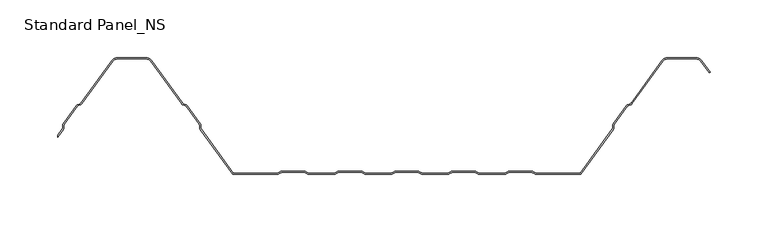
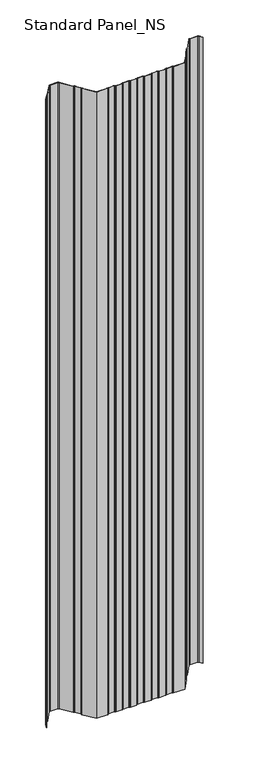
"""IFC4 building model written with IfcOpenShell, lengths in millimetres: proxy geometry, Standard Panel_NS."""

from ifc_helpers import new_model, si_unit, point, frame, frame_2d, origin, place, context, project, spatial, polyline, circle_curve, trimmed, segment, composite_curve, outline, extrude, source, transform, mapped, element, save


def standard_panel_ns_fe12b59f(model_context):
    return source(origin(), model_context, "Body", "SweptSolid", [
        extrude(outline(composite_curve([segment(polyline([(-265.3690592, 38.8012978), (-269.9999998, 32.4137935), (-269.9999998, 34.1174652), (-266.1786697, 39.3882654)]), True, "CONTINUOUS"), segment(trimmed(circle_curve(frame_2d((-267.5943584, 40.4146398)), 1.7486049), [point((-266.1786697, 39.3882654))], [point((-265.8471041, 40.3459275))], True, "CARTESIAN"), True, "CONTINUOUS"), segment(polyline([(-265.8471041, 40.3459275), (-265.7589288, 42.5881001)]), True, "CONTINUOUS"), segment(trimmed(circle_curve(frame_2d((-263.0124468, 42.4800924)), 2.7486049), [point((-265.7589288, 42.5881001))], [point((-265.237746, 44.0934344))], False, "CARTESIAN"), True, "CONTINUOUS"), segment(polyline([(-265.237746, 44.0934344), (-254.1199169, 59.4283711)]), True, "CONTINUOUS"), segment(trimmed(circle_curve(frame_2d((-251.8946177, 57.8150291)), 2.7486049), [point((-254.1199169, 59.4283711))], [point((-252.8512575, 60.3917847))], False, "CARTESIAN"), True, "CONTINUOUS"), segment(polyline([(-252.8512575, 60.3917847), (-250.7476461, 61.1727662)]), True, "CONTINUOUS"), segment(trimmed(circle_curve(frame_2d((-251.3562403, 62.8120441)), 1.7486049), [point((-250.7476461, 61.1727662))], [point((-249.9405515, 61.7856697))], True, "CARTESIAN"), True, "CONTINUOUS"), segment(polyline([(-249.9405515, 61.7856697), (-223.3068531, 98.5218054)]), True, "CONTINUOUS"), segment(trimmed(circle_curve(frame_2d((-218.4491905, 95.0)), 6.0), [point((-223.3068531, 98.5218054))], [point((-218.4491905, 101.0))], False, "CARTESIAN"), True, "CONTINUOUS"), segment(polyline([(-218.4491905, 101.0), (-193.5508098, 101.0)]), True, "CONTINUOUS"), segment(trimmed(circle_curve(frame_2d((-193.5508098, 95.0)), 6.0), [point((-193.5508098, 101.0))], [point((-188.6931472, 98.5218054))], False, "CARTESIAN"), True, "CONTINUOUS"), segment(polyline([(-188.6931472, 98.5218054), (-162.0594488, 61.7856697)]), True, "CONTINUOUS"), segment(trimmed(circle_curve(frame_2d((-160.64376, 62.8120441)), 1.7486049), [point((-162.0594488, 61.7856697))], [point((-161.2523542, 61.1727662))], True, "CARTESIAN"), True, "CONTINUOUS"), segment(polyline([(-161.2523542, 61.1727662), (-159.1487428, 60.3917847)]), True, "CONTINUOUS"), segment(trimmed(circle_curve(frame_2d((-160.1053826, 57.8150291)), 2.7486049), [point((-159.1487428, 60.3917847))], [point((-157.8800834, 59.4283711))], False, "CARTESIAN"), True, "CONTINUOUS"), segment(polyline([(-157.8800834, 59.4283711), (-146.7622543, 44.0934344)]), True, "CONTINUOUS"), segment(trimmed(circle_curve(frame_2d((-148.9875535, 42.4800924)), 2.7486049), [point((-146.7622543, 44.0934344))], [point((-146.2410715, 42.5881001))], False, "CARTESIAN"), True, "CONTINUOUS"), segment(polyline([(-146.2410715, 42.5881001), (-146.1528962, 40.3459275)]), True, "CONTINUOUS"), segment(trimmed(circle_curve(frame_2d((-144.4056419, 40.4146398)), 1.7486049), [point((-146.1528962, 40.3459275))], [point((-145.8213306, 39.3882654))], True, "CARTESIAN"), True, "CONTINUOUS"), segment(polyline([(-145.8213306, 39.3882654), (-117.9898382, 1.0), (-80.1655441, 1.0)]), True, "CONTINUOUS"), segment(trimmed(circle_curve(frame_2d((-80.1655441, 2.7486049)), 1.7486049), [point((-80.1655441, 1.0))], [point((-79.1955926, 1.2936777))], True, "CARTESIAN"), True, "CONTINUOUS"), segment(polyline([(-79.1955926, 1.2936777), (-77.3285502, 2.5383726)]), True, "CONTINUOUS"), segment(trimmed(circle_curve(frame_2d((-75.8038985, 0.2513951)), 2.7486049), [point((-77.3285502, 2.5383726))], [point((-75.8038985, 3.0))], False, "CARTESIAN"), True, "CONTINUOUS"), segment(polyline([(-75.8038985, 3.0), (-56.8627684, 3.0)]), True, "CONTINUOUS"), segment(trimmed(circle_curve(frame_2d((-56.8627684, 0.2513951)), 2.7486049), [point((-56.8627684, 3.0))], [point((-55.3381168, 2.5383726))], False, "CARTESIAN"), True, "CONTINUOUS"), segment(polyline([(-55.3381168, 2.5383726), (-53.4710744, 1.2936777)]), True, "CONTINUOUS"), segment(trimmed(circle_curve(frame_2d((-52.5011229, 2.7486049)), 1.7486049), [point((-53.4710744, 1.2936777))], [point((-52.5011229, 1.0))], True, "CARTESIAN"), True, "CONTINUOUS"), segment(polyline([(-52.5011229, 1.0), (-30.9988774, 1.0)]), True, "CONTINUOUS"), segment(trimmed(circle_curve(frame_2d((-30.9988774, 2.7486049)), 1.7486049), [point((-30.9988774, 1.0))], [point((-30.0289259, 1.2936777))], True, "CARTESIAN"), True, "CONTINUOUS"), segment(polyline([(-30.0289259, 1.2936777), (-28.1618835, 2.5383726)]), True, "CONTINUOUS"), segment(trimmed(circle_curve(frame_2d((-26.6372319, 0.2513951)), 2.7486049), [point((-28.1618835, 2.5383726))], [point((-26.6372319, 3.0))], False, "CARTESIAN"), True, "CONTINUOUS"), segment(polyline([(-26.6372319, 3.0), (-7.6961018, 3.0)]), True, "CONTINUOUS"), segment(trimmed(circle_curve(frame_2d((-7.6961018, 0.2513951)), 2.7486049), [point((-7.6961018, 3.0))], [point((-6.1714501, 2.5383726))], False, "CARTESIAN"), True, "CONTINUOUS"), segment(polyline([(-6.1714501, 2.5383726), (-4.3044077, 1.2936777)]), True, "CONTINUOUS"), segment(trimmed(circle_curve(frame_2d((-3.3344562, 2.7486049)), 1.7486049), [point((-4.3044077, 1.2936777))], [point((-3.3344562, 1.0))], True, "CARTESIAN"), True, "CONTINUOUS"), segment(polyline([(-3.3344562, 1.0), (18.1677892, 1.0)]), True, "CONTINUOUS"), segment(trimmed(circle_curve(frame_2d((18.1677892, 2.7486049)), 1.7486049), [point((18.1677892, 1.0))], [point((19.1377407, 1.2936777))], True, "CARTESIAN"), True, "CONTINUOUS"), segment(polyline([(19.1377407, 1.2936777), (21.0047831, 2.5383726)]), True, "CONTINUOUS"), segment(trimmed(circle_curve(frame_2d((22.5294348, 0.2513951)), 2.7486049), [point((21.0047831, 2.5383726))], [point((22.5294348, 3.0))], False, "CARTESIAN"), True, "CONTINUOUS"), segment(polyline([(22.5294348, 3.0), (41.4705649, 3.0)]), True, "CONTINUOUS"), segment(trimmed(circle_curve(frame_2d((41.4705649, 0.2513951)), 2.7486049), [point((41.4705649, 3.0))], [point((42.9952166, 2.5383726))], False, "CARTESIAN"), True, "CONTINUOUS"), segment(polyline([(42.9952166, 2.5383726), (44.862259, 1.2936777)]), True, "CONTINUOUS"), segment(trimmed(circle_curve(frame_2d((45.8322104, 2.7486049)), 1.7486049), [point((44.862259, 1.2936777))], [point((45.8322104, 1.0))], True, "CARTESIAN"), True, "CONTINUOUS"), segment(polyline([(45.8322104, 1.0), (67.3344559, 1.0)]), True, "CONTINUOUS"), segment(trimmed(circle_curve(frame_2d((67.3344559, 2.7486049)), 1.7486049), [point((67.3344559, 1.0))], [point((68.3044074, 1.2936777))], True, "CARTESIAN"), True, "CONTINUOUS"), segment(polyline([(68.3044074, 1.2936777), (70.1714498, 2.5383726)]), True, "CONTINUOUS"), segment(trimmed(circle_curve(frame_2d((71.6961015, 0.2513951)), 2.7486049), [point((70.1714498, 2.5383726))], [point((71.6961015, 3.0))], False, "CARTESIAN"), True, "CONTINUOUS"), segment(polyline([(71.6961015, 3.0), (90.6372316, 3.0)]), True, "CONTINUOUS"), segment(trimmed(circle_curve(frame_2d((90.6372316, 0.2513951)), 2.7486049), [point((90.6372316, 3.0))], [point((92.1618832, 2.5383726))], False, "CARTESIAN"), True, "CONTINUOUS"), segment(polyline([(92.1618832, 2.5383726), (94.0289256, 1.2936777)]), True, "CONTINUOUS"), segment(trimmed(circle_curve(frame_2d((94.9988771, 2.7486049)), 1.7486049), [point((94.0289256, 1.2936777))], [point((94.9988771, 1.0))], True, "CARTESIAN"), True, "CONTINUOUS"), segment(polyline([(94.9988771, 1.0), (116.5011226, 1.0)]), True, "CONTINUOUS"), segment(trimmed(circle_curve(frame_2d((116.5011226, 2.7486049)), 1.7486049), [point((116.5011226, 1.0))], [point((117.4710741, 1.2936777))], True, "CARTESIAN"), True, "CONTINUOUS"), segment(polyline([(117.4710741, 1.2936777), (119.3381165, 2.5383726)]), True, "CONTINUOUS"), segment(trimmed(circle_curve(frame_2d((120.8627681, 0.2513951)), 2.7486049), [point((119.3381165, 2.5383726))], [point((120.8627681, 3.0))], False, "CARTESIAN"), True, "CONTINUOUS"), segment(polyline([(120.8627681, 3.0), (139.8038982, 3.0)]), True, "CONTINUOUS"), segment(trimmed(circle_curve(frame_2d((139.8038982, 0.2513951)), 2.7486049), [point((139.8038982, 3.0))], [point((141.3285499, 2.5383726))], False, "CARTESIAN"), True, "CONTINUOUS"), segment(polyline([(141.3285499, 2.5383726), (143.1955923, 1.2936777)]), True, "CONTINUOUS"), segment(trimmed(circle_curve(frame_2d((144.1655438, 2.7486049)), 1.7486049), [point((143.1955923, 1.2936777))], [point((144.1655438, 1.0))], True, "CARTESIAN"), True, "CONTINUOUS"), segment(polyline([(144.1655438, 1.0), (181.9898379, 1.0), (209.8213303, 39.3882654)]), True, "CONTINUOUS"), segment(trimmed(circle_curve(frame_2d((208.4056416, 40.4146398)), 1.7486049), [point((209.8213303, 39.3882654))], [point((210.1528959, 40.3459275))], True, "CARTESIAN"), True, "CONTINUOUS"), segment(polyline([(210.1528959, 40.3459275), (210.2410712, 42.5881001)]), True, "CONTINUOUS"), segment(trimmed(circle_curve(frame_2d((212.9875532, 42.4800924)), 2.7486049), [point((210.2410712, 42.5881001))], [point((210.762254, 44.0934344))], False, "CARTESIAN"), True, "CONTINUOUS"), segment(polyline([(210.762254, 44.0934344), (221.8800831, 59.4283711)]), True, "CONTINUOUS"), segment(trimmed(circle_curve(frame_2d((224.1053823, 57.8150291)), 2.7486049), [point((221.8800831, 59.4283711))], [point((223.1487425, 60.3917847))], False, "CARTESIAN"), True, "CONTINUOUS"), segment(polyline([(223.1487425, 60.3917847), (225.2523539, 61.1727662)]), True, "CONTINUOUS"), segment(trimmed(circle_curve(frame_2d((224.6437597, 62.8120441)), 1.7486049), [point((225.2523539, 61.1727662))], [point((226.0594485, 61.7856697))], True, "CARTESIAN"), True, "CONTINUOUS"), segment(polyline([(226.0594485, 61.7856697), (252.6931469, 98.5218054)]), True, "CONTINUOUS"), segment(trimmed(circle_curve(frame_2d((257.5508095, 95.0)), 6.0), [point((252.6931469, 98.5218054))], [point((257.5508095, 101.0))], False, "CARTESIAN"), True, "CONTINUOUS"), segment(polyline([(257.5508095, 101.0), (282.4491902, 101.0)]), True, "CONTINUOUS"), segment(trimmed(circle_curve(frame_2d((282.4491902, 95.0)), 6.0), [point((282.4491902, 101.0))], [point((287.3068528, 98.5218054))], False, "CARTESIAN"), True, "CONTINUOUS"), segment(polyline([(287.3068528, 98.5218054), (294.6141239, 88.4428109), (293.8045134, 87.8558433), (286.4972424, 97.9348379)]), True, "CONTINUOUS"), segment(trimmed(circle_curve(frame_2d((282.4491902, 95.0)), 5.0), [point((286.4972424, 97.9348379))], [point((282.4491902, 100.0))], True, "CARTESIAN"), True, "CONTINUOUS"), segment(polyline([(282.4491902, 100.0), (257.5508095, 100.0)]), True, "CONTINUOUS"), segment(trimmed(circle_curve(frame_2d((257.5508095, 95.0)), 5.0), [point((257.5508095, 100.0))], [point((253.5027573, 97.9348379))], True, "CARTESIAN"), True, "CONTINUOUS"), segment(polyline([(253.5027573, 97.9348379), (226.8690589, 61.1987022)]), True, "CONTINUOUS"), segment(trimmed(circle_curve(frame_2d((224.6437597, 62.8120441)), 2.7486049), [point((226.8690589, 61.1987022))], [point((225.6003995, 60.2352885))], False, "CARTESIAN"), True, "CONTINUOUS"), segment(polyline([(225.6003995, 60.2352885), (223.4967881, 59.4543071)]), True, "CONTINUOUS"), segment(trimmed(circle_curve(frame_2d((224.1053823, 57.8150291)), 1.7486049), [point((223.4967881, 59.4543071))], [point((222.6896935, 58.8414035))], True, "CARTESIAN"), True, "CONTINUOUS"), segment(polyline([(222.6896935, 58.8414035), (211.5718644, 43.5064668)]), True, "CONTINUOUS"), segment(trimmed(circle_curve(frame_2d((212.9875532, 42.4800924)), 1.7486049), [point((211.5718644, 43.5064668))], [point((211.2402989, 42.5488047))], True, "CARTESIAN"), True, "CONTINUOUS"), segment(polyline([(211.2402989, 42.5488047), (211.1521235, 40.3066321)]), True, "CONTINUOUS"), segment(trimmed(circle_curve(frame_2d((208.4056416, 40.4146398)), 2.7486049), [point((211.1521235, 40.3066321))], [point((210.6309408, 38.8012978))], False, "CARTESIAN"), True, "CONTINUOUS"), segment(polyline([(210.6309408, 38.8012978), (182.4999998, 0.0), (144.1655438, 0.0)]), True, "CONTINUOUS"), segment(trimmed(circle_curve(frame_2d((144.1655438, 2.7486049)), 2.7486049), [point((144.1655438, 0.0))], [point((142.6408921, 0.4616274))], False, "CARTESIAN"), True, "CONTINUOUS"), segment(polyline([(142.6408921, 0.4616274), (140.7738497, 1.7063223)]), True, "CONTINUOUS"), segment(trimmed(circle_curve(frame_2d((139.8038982, 0.2513951)), 1.7486049), [point((140.7738497, 1.7063223))], [point((139.8038982, 2.0))], True, "CARTESIAN"), True, "CONTINUOUS"), segment(polyline([(139.8038982, 2.0), (120.8627681, 2.0)]), True, "CONTINUOUS"), segment(trimmed(circle_curve(frame_2d((120.8627681, 0.2513951)), 1.7486049), [point((120.8627681, 2.0))], [point((119.8928167, 1.7063223))], True, "CARTESIAN"), True, "CONTINUOUS"), segment(polyline([(119.8928167, 1.7063223), (118.0257743, 0.4616274)]), True, "CONTINUOUS"), segment(trimmed(circle_curve(frame_2d((116.5011226, 2.7486049)), 2.7486049), [point((118.0257743, 0.4616274))], [point((116.5011226, 0.0))], False, "CARTESIAN"), True, "CONTINUOUS"), segment(polyline([(116.5011226, 0.0), (94.9988771, 0.0)]), True, "CONTINUOUS"), segment(trimmed(circle_curve(frame_2d((94.9988771, 2.7486049)), 2.7486049), [point((94.9988771, 0.0))], [point((93.4742254, 0.4616274))], False, "CARTESIAN"), True, "CONTINUOUS"), segment(polyline([(93.4742254, 0.4616274), (91.607183, 1.7063223)]), True, "CONTINUOUS"), segment(trimmed(circle_curve(frame_2d((90.6372316, 0.2513951)), 1.7486049), [point((91.607183, 1.7063223))], [point((90.6372316, 2.0))], True, "CARTESIAN"), True, "CONTINUOUS"), segment(polyline([(90.6372316, 2.0), (71.6961015, 2.0)]), True, "CONTINUOUS"), segment(trimmed(circle_curve(frame_2d((71.6961015, 0.2513951)), 1.7486049), [point((71.6961015, 2.0))], [point((70.72615, 1.7063223))], True, "CARTESIAN"), True, "CONTINUOUS"), segment(polyline([(70.72615, 1.7063223), (68.8591076, 0.4616274)]), True, "CONTINUOUS"), segment(trimmed(circle_curve(frame_2d((67.3344559, 2.7486049)), 2.7486049), [point((68.8591076, 0.4616274))], [point((67.3344559, 0.0))], False, "CARTESIAN"), True, "CONTINUOUS"), segment(polyline([(67.3344559, 0.0), (45.8322104, 0.0)]), True, "CONTINUOUS"), segment(trimmed(circle_curve(frame_2d((45.8322104, 2.7486049)), 2.7486049), [point((45.8322104, 0.0))], [point((44.3075588, 0.4616274))], False, "CARTESIAN"), True, "CONTINUOUS"), segment(polyline([(44.3075588, 0.4616274), (42.4405164, 1.7063223)]), True, "CONTINUOUS"), segment(trimmed(circle_curve(frame_2d((41.4705649, 0.2513951)), 1.7486049), [point((42.4405164, 1.7063223))], [point((41.4705649, 2.0))], True, "CARTESIAN"), True, "CONTINUOUS"), segment(polyline([(41.4705649, 2.0), (22.5294348, 2.0)]), True, "CONTINUOUS"), segment(trimmed(circle_curve(frame_2d((22.5294348, 0.2513951)), 1.7486049), [point((22.5294348, 2.0))], [point((21.5594833, 1.7063223))], True, "CARTESIAN"), True, "CONTINUOUS"), segment(polyline([(21.5594833, 1.7063223), (19.6924409, 0.4616274)]), True, "CONTINUOUS"), segment(trimmed(circle_curve(frame_2d((18.1677892, 2.7486049)), 2.7486049), [point((19.6924409, 0.4616274))], [point((18.1677892, 0.0))], False, "CARTESIAN"), True, "CONTINUOUS"), segment(polyline([(18.1677892, 0.0), (-3.3344562, 0.0)]), True, "CONTINUOUS"), segment(trimmed(circle_curve(frame_2d((-3.3344562, 2.7486049)), 2.7486049), [point((-3.3344562, 0.0))], [point((-4.8591079, 0.4616274))], False, "CARTESIAN"), True, "CONTINUOUS"), segment(polyline([(-4.8591079, 0.4616274), (-6.7261503, 1.7063223)]), True, "CONTINUOUS"), segment(trimmed(circle_curve(frame_2d((-7.6961018, 0.2513951)), 1.7486049), [point((-6.7261503, 1.7063223))], [point((-7.6961018, 2.0))], True, "CARTESIAN"), True, "CONTINUOUS"), segment(polyline([(-7.6961018, 2.0), (-26.6372319, 2.0)]), True, "CONTINUOUS"), segment(trimmed(circle_curve(frame_2d((-26.6372319, 0.2513951)), 1.7486049), [point((-26.6372319, 2.0))], [point((-27.6071833, 1.7063223))], True, "CARTESIAN"), True, "CONTINUOUS"), segment(polyline([(-27.6071833, 1.7063223), (-29.4742257, 0.4616274)]), True, "CONTINUOUS"), segment(trimmed(circle_curve(frame_2d((-30.9988774, 2.7486049)), 2.7486049), [point((-29.4742257, 0.4616274))], [point((-30.9988774, 0.0))], False, "CARTESIAN"), True, "CONTINUOUS"), segment(polyline([(-30.9988774, 0.0), (-52.5011229, 0.0)]), True, "CONTINUOUS"), segment(trimmed(circle_curve(frame_2d((-52.5011229, 2.7486049)), 2.7486049), [point((-52.5011229, 0.0))], [point((-54.0257746, 0.4616274))], False, "CARTESIAN"), True, "CONTINUOUS"), segment(polyline([(-54.0257746, 0.4616274), (-55.892817, 1.7063223)]), True, "CONTINUOUS"), segment(trimmed(circle_curve(frame_2d((-56.8627684, 0.2513951)), 1.7486049), [point((-55.892817, 1.7063223))], [point((-56.8627684, 2.0))], True, "CARTESIAN"), True, "CONTINUOUS"), segment(polyline([(-56.8627684, 2.0), (-75.8038985, 2.0)]), True, "CONTINUOUS"), segment(trimmed(circle_curve(frame_2d((-75.8038985, 0.2513951)), 1.7486049), [point((-75.8038985, 2.0))], [point((-76.77385, 1.7063223))], True, "CARTESIAN"), True, "CONTINUOUS"), segment(polyline([(-76.77385, 1.7063223), (-78.6408924, 0.4616274)]), True, "CONTINUOUS"), segment(trimmed(circle_curve(frame_2d((-80.1655441, 2.7486049)), 2.7486049), [point((-78.6408924, 0.4616274))], [point((-80.1655441, 0.0))], False, "CARTESIAN"), True, "CONTINUOUS"), segment(polyline([(-80.1655441, 0.0), (-118.5000002, 0.0), (-146.6309411, 38.8012978)]), True, "CONTINUOUS"), segment(trimmed(circle_curve(frame_2d((-144.4056419, 40.4146398)), 2.7486049), [point((-146.6309411, 38.8012978))], [point((-147.1521238, 40.3066321))], False, "CARTESIAN"), True, "CONTINUOUS"), segment(polyline([(-147.1521238, 40.3066321), (-147.2402992, 42.5488047)]), True, "CONTINUOUS"), segment(trimmed(circle_curve(frame_2d((-148.9875535, 42.4800924)), 1.7486049), [point((-147.2402992, 42.5488047))], [point((-147.5718647, 43.5064668))], True, "CARTESIAN"), True, "CONTINUOUS"), segment(polyline([(-147.5718647, 43.5064668), (-158.6896938, 58.8414035)]), True, "CONTINUOUS"), segment(trimmed(circle_curve(frame_2d((-160.1053826, 57.8150291)), 1.7486049), [point((-158.6896938, 58.8414035))], [point((-159.4967884, 59.4543071))], True, "CARTESIAN"), True, "CONTINUOUS"), segment(polyline([(-159.4967884, 59.4543071), (-161.6003998, 60.2352885)]), True, "CONTINUOUS"), segment(trimmed(circle_curve(frame_2d((-160.64376, 62.8120441)), 2.7486049), [point((-161.6003998, 60.2352885))], [point((-162.8690592, 61.1987022))], False, "CARTESIAN"), True, "CONTINUOUS"), segment(polyline([(-162.8690592, 61.1987022), (-189.5027576, 97.9348379)]), True, "CONTINUOUS"), segment(trimmed(circle_curve(frame_2d((-193.5508098, 95.0)), 5.0), [point((-189.5027576, 97.9348379))], [point((-193.5508098, 100.0))], True, "CARTESIAN"), True, "CONTINUOUS"), segment(polyline([(-193.5508098, 100.0), (-218.4491905, 100.0)]), True, "CONTINUOUS"), segment(trimmed(circle_curve(frame_2d((-218.4491905, 95.0)), 5.0), [point((-218.4491905, 100.0))], [point((-222.4972427, 97.9348379))], True, "CARTESIAN"), True, "CONTINUOUS"), segment(polyline([(-222.4972427, 97.9348379), (-249.1309411, 61.1987022)]), True, "CONTINUOUS"), segment(trimmed(circle_curve(frame_2d((-251.3562403, 62.8120441)), 2.7486049), [point((-249.1309411, 61.1987022))], [point((-250.3996005, 60.2352885))], False, "CARTESIAN"), True, "CONTINUOUS"), segment(polyline([(-250.3996005, 60.2352885), (-252.5032119, 59.4543071)]), True, "CONTINUOUS"), segment(trimmed(circle_curve(frame_2d((-251.8946177, 57.8150291)), 1.7486049), [point((-252.5032119, 59.4543071))], [point((-253.3103065, 58.8414035))], True, "CARTESIAN"), True, "CONTINUOUS"), segment(polyline([(-253.3103065, 58.8414035), (-264.4281356, 43.5064668)]), True, "CONTINUOUS"), segment(trimmed(circle_curve(frame_2d((-263.0124468, 42.4800924)), 1.7486049), [point((-264.4281356, 43.5064668))], [point((-264.7597011, 42.5488047))], True, "CARTESIAN"), True, "CONTINUOUS"), segment(polyline([(-264.7597011, 42.5488047), (-264.8478765, 40.3066321)]), True, "CONTINUOUS"), segment(trimmed(circle_curve(frame_2d((-267.5943584, 40.4146398)), 2.7486049), [point((-264.8478765, 40.3066321))], [point((-265.3690592, 38.8012978))], False, "CARTESIAN"), True, "CONTINUOUS")], self_intersect=False)), frame((0.0, 0.0, -250.0), z_axis=(0.0, 0.0, 1.0), x_axis=(1.0, 0.0, 0.0)), (0.0, 0.0, 1.0), 2250.0),
    ])


if __name__ == "__main__":
    model = new_model("IFC4")
    model_context = context("Model", 3, world=origin())
    ifc_project = project(units=[si_unit("LENGTHUNIT", "METRE", prefix="MILLI")], contexts=[model_context])
    site = spatial("IfcSite", under=ifc_project)
    building = spatial("IfcBuilding", under=site)
    placement = place(None, origin())
    standard_panel_ns_shape = standard_panel_ns_fe12b59f(model_context)
    element("IfcBuildingElementProxy", 1, Name="Standard Panel_NS", ObjectType="Standard Panel_NS", at=placement, inside=building, context=model_context, shape_type="MappedRepresentation", body=[
        mapped(standard_panel_ns_shape, transform((0.0, 0.0, 0.0), x_axis=(1.0, 0.0, 0.0), y_axis=(0.0, 1.0, 0.0), z_axis=(0.0, 0.0, 1.0))),
    ])
    save(model, "model.ifc")
